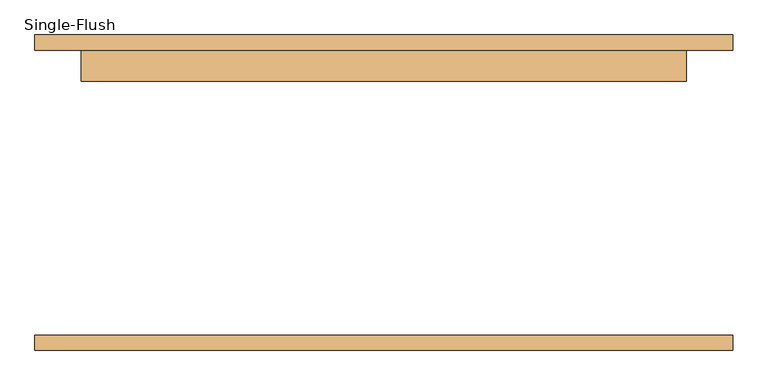
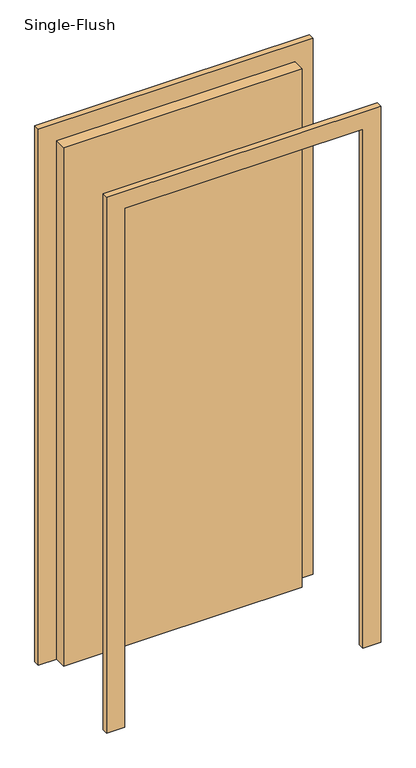
"""IFC4 building model written with IfcOpenShell, lengths in millimetres: door geometry, Single-Flush."""

from ifc_helpers import new_model, si_unit, frame, origin, origin_with_axes, place, context, project, spatial, polyline, outline, extrude, source, transform, mapped, element, save


def single_flush_08cae519(model_context):
    return source(origin(), model_context, "Body", "SweptSolid", [
        extrude(outline(polyline([(2376.2, -576.2), (0.0, -576.2), (0.0, -500.0), (2300.0, -500.0), (2300.0, 500.0), (0.0, 500.0), (0.0, 576.2), (2376.2, 576.2), (2376.2, -576.2)])), frame((0.0, 235.0, 0.0), z_axis=(0.0, 1.0, 0.0), x_axis=(0.0, 0.0, 1.0)), (0.0, 0.0, 1.0), 25.4),
        extrude(outline(polyline([(2376.2, 576.2), (2376.2, -576.2), (0.0, -576.2), (0.0, -500.0), (2300.0, -500.0), (2300.0, 500.0), (0.0, 500.0), (0.0, 576.2), (2376.2, 576.2)])), frame((0.0, -260.4, 0.0), z_axis=(0.0, 1.0, 0.0), x_axis=(0.0, 0.0, 1.0)), (0.0, 0.0, 1.0), 25.4),
        extrude(outline(polyline([(500.0, 184.2), (-500.0, 184.2), (-500.0, 235.0), (500.0, 235.0), (500.0, 184.2)])), origin_with_axes(), (0.0, 0.0, 1.0), 2300.0),
    ])


if __name__ == "__main__":
    model = new_model("IFC4")
    model_context = context("Model", 3, world=origin())
    ifc_project = project(units=[si_unit("LENGTHUNIT", "METRE", prefix="MILLI")], contexts=[model_context])
    site = spatial("IfcSite", under=ifc_project)
    building = spatial("IfcBuilding", under=site)
    placement = place(None, origin())
    single_flush_shape = single_flush_08cae519(model_context)
    element("IfcDoor", 1, ObjectType="Single-Flush", at=placement, inside=building, context=model_context, shape_type="MappedRepresentation", body=[
        mapped(single_flush_shape, transform((0.0, 0.0, 0.0), x_axis=(1.0, 0.0, 0.0), y_axis=(0.0, 1.0, 0.0), z_axis=(0.0, 0.0, 1.0))),
    ])
    save(model, "model.ifc")
